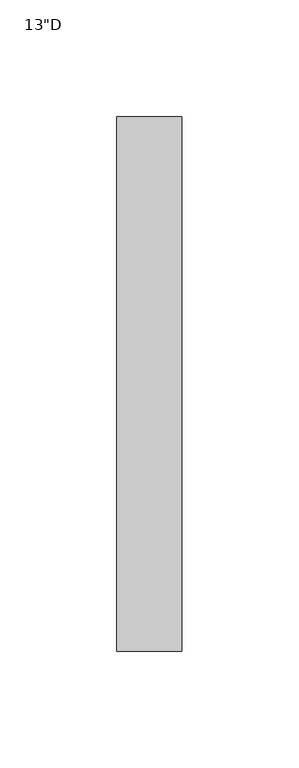
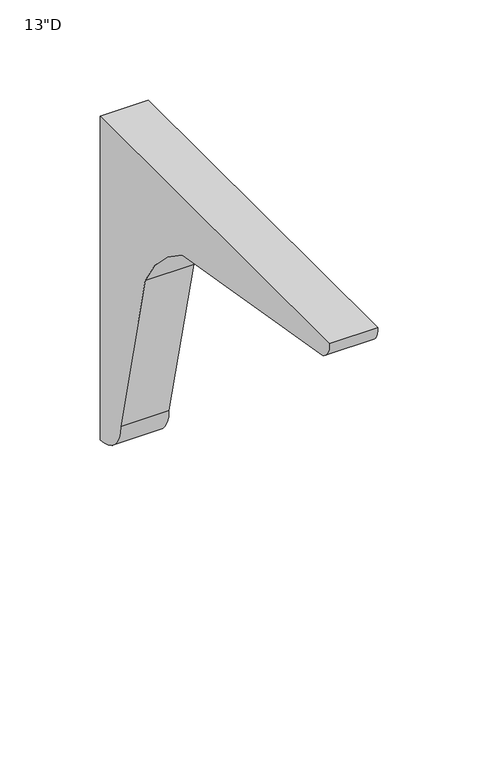
"""IFC4 building model written with IfcOpenShell, lengths in millimetres: furniture geometry."""

from ifc_helpers import new_model, si_unit, point, frame, frame_2d, origin, place, context, project, spatial, polyline, circle_curve, trimmed, segment, composite_curve, outline, extrude, source, transform, mapped, element, save


def furniture_2750c20f(model_context):
    return source(origin(), model_context, "Body", "SweptSolid", [
        extrude(outline(composite_curve([segment(trimmed(circle_curve(frame_2d((-143.9606717, 600.1940632)), 86.0560025), [point((-66.8363066, 638.3708609))], [point((-103.3820864, 676.0822309))], True, "CARTESIAN"), True, "CONTINUOUS"), segment(polyline([(-103.3820864, 676.0822309), (-243.6532059, 700.1695324)]), True, "CONTINUOUS"), segment(trimmed(circle_curve(frame_2d((-239.3486305, 710.3441611)), 11.0477345), [point((-243.6532059, 700.1695324))], [point((-250.35256, 711.327))], False, "CARTESIAN"), True, "CONTINUOUS"), segment(polyline([(-250.35256, 711.327), (-21.75256, 711.327), (-21.75256, 514.080125)]), True, "CONTINUOUS"), segment(trimmed(circle_curve(frame_2d((-21.75256, 534.4814665)), 20.4013415), [point((-21.75256, 514.080125))], [point((-42.1539008, 534.4760548))], False, "CARTESIAN"), True, "CONTINUOUS"), segment(polyline([(-42.1539008, 534.4760548), (-66.8363066, 638.3708609)]), True, "CONTINUOUS")], self_intersect=False)), frame((4.8493945, 0.0, 0.0), z_axis=(1.0, 0.0, 0.0), x_axis=(0.0, 1.0, 0.0)), (0.0, 0.0, 1.0), 27.78125),
    ])


if __name__ == "__main__":
    model = new_model("IFC4")
    model_context = context("Model", 3, world=origin())
    ifc_project = project(units=[si_unit("LENGTHUNIT", "METRE", prefix="MILLI")], contexts=[model_context])
    site = spatial("IfcSite", under=ifc_project)
    building = spatial("IfcBuilding", under=site)
    placement = place(None, origin())
    furniture_shape = furniture_2750c20f(model_context)
    element("IfcFurniture", 1, ObjectType="13\"D", at=placement, inside=building, context=model_context, shape_type="MappedRepresentation", body=[
        mapped(furniture_shape, transform((0.0, 0.0, 0.0), x_axis=(1.0, 0.0, 0.0), y_axis=(0.0, 1.0, 0.0), z_axis=(0.0, 0.0, 1.0))),
    ])
    save(model, "model.ifc")
